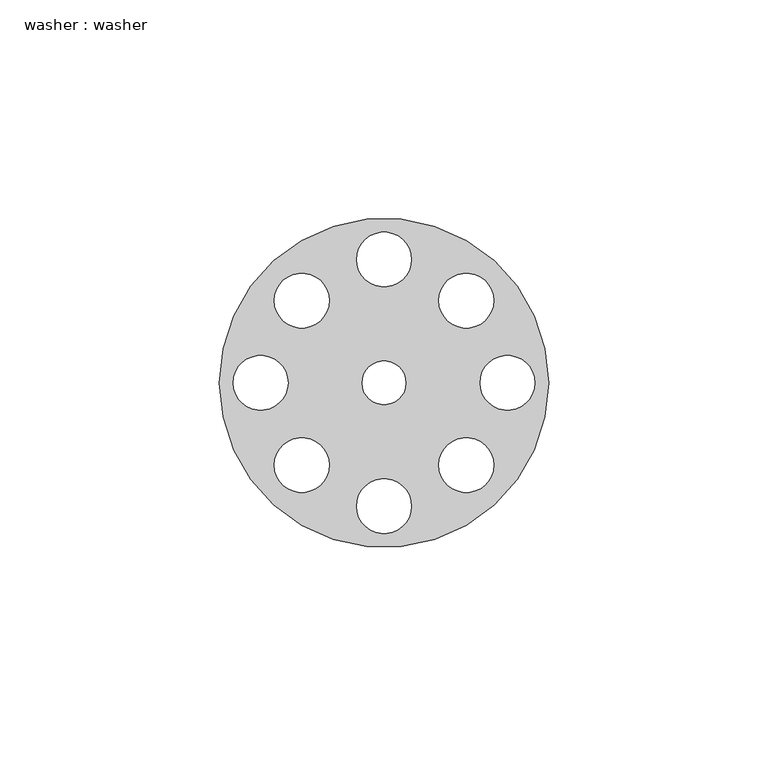
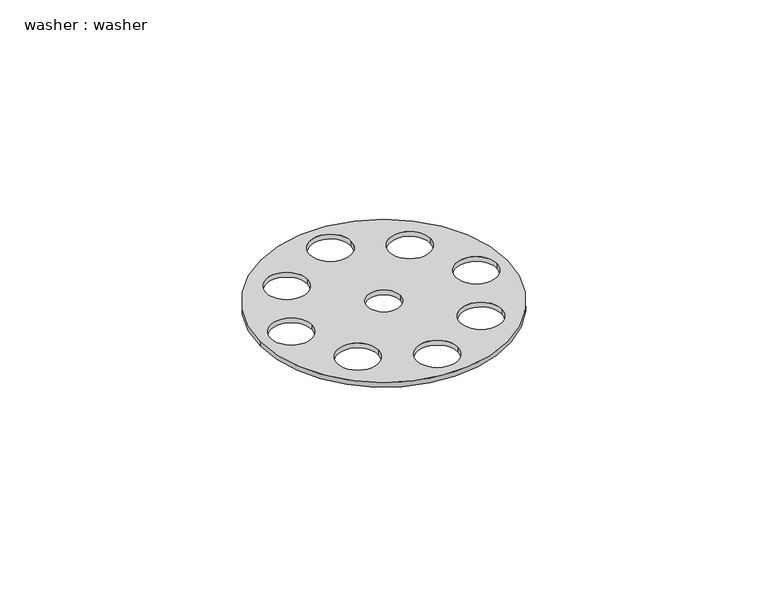
"""IFC4 building model written with IfcOpenShell, lengths in millimetres: proxy geometry, washer : washer."""

from ifc_helpers import new_model, si_unit, point, frame_2d, origin, origin_with_axes, origin_2d, place, context, project, spatial, circle_curve, trimmed, segment, composite_curve, outline, extrude, source, transform, mapped, element, save


def washer_washer_22bd4cb6(model_context):
    return source(origin(), model_context, "Body", "SweptSolid", [
        extrude(outline(composite_curve([segment(trimmed(circle_curve(origin_2d(), 37.5), [point((-37.5, 0.0))], [point((37.5, 0.0))], False, "CARTESIAN"), True, "CONTINUOUS"), segment(trimmed(circle_curve(origin_2d(), 37.5), [point((37.5, 0.0))], [point((-37.5, 0.0))], False, "CARTESIAN"), True, "CONTINUOUS")], self_intersect=False), holes=[composite_curve([segment(trimmed(circle_curve(frame_2d((0.0, 28.125)), 6.25), [point((-6.25, 28.125))], [point((6.25, 28.125))], True, "CARTESIAN"), True, "CONTINUOUS"), segment(trimmed(circle_curve(frame_2d((0.0, 28.125)), 6.25), [point((6.25, 28.125))], [point((-6.25, 28.125))], True, "CARTESIAN"), True, "CONTINUOUS")], self_intersect=False), composite_curve([segment(trimmed(circle_curve(frame_2d((-18.75, 18.75)), 6.25), [point((-25.0, 18.75))], [point((-12.5, 18.75))], True, "CARTESIAN"), True, "CONTINUOUS"), segment(trimmed(circle_curve(frame_2d((-18.75, 18.75)), 6.25), [point((-12.5, 18.75))], [point((-25.0, 18.75))], True, "CARTESIAN"), True, "CONTINUOUS")], self_intersect=False), composite_curve([segment(trimmed(circle_curve(frame_2d((-28.125, 0.0)), 6.25), [point((-34.375, 0.0))], [point((-21.875, 0.0))], True, "CARTESIAN"), True, "CONTINUOUS"), segment(trimmed(circle_curve(frame_2d((-28.125, 0.0)), 6.25), [point((-21.875, 0.0))], [point((-34.375, 0.0))], True, "CARTESIAN"), True, "CONTINUOUS")], self_intersect=False), composite_curve([segment(trimmed(circle_curve(frame_2d((-18.75, -18.75)), 6.25), [point((-25.0, -18.75))], [point((-12.5, -18.75))], True, "CARTESIAN"), True, "CONTINUOUS"), segment(trimmed(circle_curve(frame_2d((-18.75, -18.75)), 6.25), [point((-12.5, -18.75))], [point((-25.0, -18.75))], True, "CARTESIAN"), True, "CONTINUOUS")], self_intersect=False), composite_curve([segment(trimmed(circle_curve(frame_2d((0.0, -28.125)), 6.25), [point((-6.25, -28.125))], [point((6.25, -28.125))], True, "CARTESIAN"), True, "CONTINUOUS"), segment(trimmed(circle_curve(frame_2d((0.0, -28.125)), 6.25), [point((6.25, -28.125))], [point((-6.25, -28.125))], True, "CARTESIAN"), True, "CONTINUOUS")], self_intersect=False), composite_curve([segment(trimmed(circle_curve(frame_2d((18.75, -18.75)), 6.25), [point((12.5, -18.75))], [point((25.0, -18.75))], True, "CARTESIAN"), True, "CONTINUOUS"), segment(trimmed(circle_curve(frame_2d((18.75, -18.75)), 6.25), [point((25.0, -18.75))], [point((12.5, -18.75))], True, "CARTESIAN"), True, "CONTINUOUS")], self_intersect=False), composite_curve([segment(trimmed(circle_curve(frame_2d((28.125, 0.0)), 6.25), [point((21.875, 0.0))], [point((34.375, 0.0))], True, "CARTESIAN"), True, "CONTINUOUS"), segment(trimmed(circle_curve(frame_2d((28.125, 0.0)), 6.25), [point((34.375, 0.0))], [point((21.875, 0.0))], True, "CARTESIAN"), True, "CONTINUOUS")], self_intersect=False), composite_curve([segment(trimmed(circle_curve(frame_2d((18.75, 18.75)), 6.25), [point((12.5, 18.75))], [point((25.0, 18.75))], True, "CARTESIAN"), True, "CONTINUOUS"), segment(trimmed(circle_curve(frame_2d((18.75, 18.75)), 6.25), [point((25.0, 18.75))], [point((12.5, 18.75))], True, "CARTESIAN"), True, "CONTINUOUS")], self_intersect=False), composite_curve([segment(trimmed(circle_curve(origin_2d(), 5.0), [point((-5.0, 0.0))], [point((5.0, 0.0))], True, "CARTESIAN"), True, "CONTINUOUS"), segment(trimmed(circle_curve(origin_2d(), 5.0), [point((5.0, 0.0))], [point((-5.0, 0.0))], True, "CARTESIAN"), True, "CONTINUOUS")], self_intersect=False)]), origin_with_axes(), (0.0, 0.0, 1.0), 1.5),
    ])


if __name__ == "__main__":
    model = new_model("IFC4")
    model_context = context("Model", 3, world=origin())
    ifc_project = project(units=[si_unit("LENGTHUNIT", "METRE", prefix="MILLI")], contexts=[model_context])
    site = spatial("IfcSite", under=ifc_project)
    building = spatial("IfcBuilding", under=site)
    placement = place(None, origin())
    washer_washer_shape = washer_washer_22bd4cb6(model_context)
    element("IfcBuildingElementProxy", 1, Name="washer : washer", ObjectType="washer : washer", at=placement, inside=building, context=model_context, shape_type="MappedRepresentation", body=[
        mapped(washer_washer_shape, transform((0.0, 0.0, 0.0), x_axis=(1.0, 0.0, 0.0), y_axis=(0.0, 1.0, 0.0), z_axis=(0.0, 0.0, 1.0))),
    ])
    save(model, "model.ifc")
